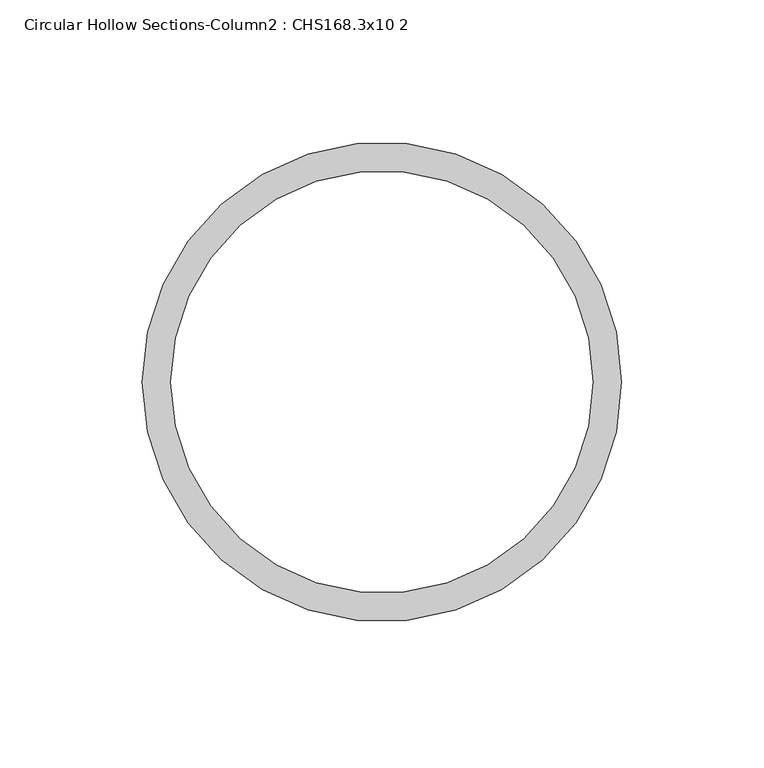
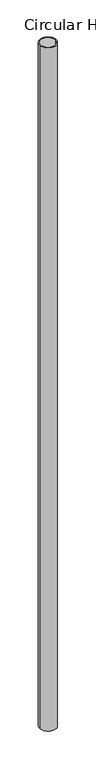
"""IFC4 building model written with IfcOpenShell, lengths in millimetres: column geometry, Circular Hollow Sections-Column2 : CHS168.3x10 2."""

from ifc_helpers import new_model, si_unit, point, origin, origin_with_axes, origin_2d, place, context, project, spatial, circle_curve, trimmed, segment, composite_curve, outline, extrude, source, transform, mapped, element, save


def circular_hollow_sections_column2_chs168_3x10_2_d5f3cf2d(model_context):
    return source(origin(), model_context, "Body", "SweptSolid", [
        extrude(outline(composite_curve([segment(trimmed(circle_curve(origin_2d(), 84.15), [point((-84.15, 0.0))], [point((84.15, 0.0))], False, "CARTESIAN"), True, "CONTINUOUS"), segment(trimmed(circle_curve(origin_2d(), 84.15), [point((84.15, 0.0))], [point((-84.15, 0.0))], False, "CARTESIAN"), True, "CONTINUOUS")], self_intersect=False), holes=[composite_curve([segment(trimmed(circle_curve(origin_2d(), 74.15), [point((-74.15, 0.0))], [point((74.15, 0.0))], True, "CARTESIAN"), True, "CONTINUOUS"), segment(trimmed(circle_curve(origin_2d(), 74.15), [point((74.15, 0.0))], [point((-74.15, 0.0))], True, "CARTESIAN"), True, "CONTINUOUS")], self_intersect=False)]), origin_with_axes(), (0.0, 0.0, 1.0), 7350.0),
    ])


if __name__ == "__main__":
    model = new_model("IFC4")
    model_context = context("Model", 3, world=origin())
    ifc_project = project(units=[si_unit("LENGTHUNIT", "METRE", prefix="MILLI")], contexts=[model_context])
    site = spatial("IfcSite", under=ifc_project)
    building = spatial("IfcBuilding", under=site)
    placement = place(None, origin())
    circular_hollow_sections_column2_chs168_3x10_2_shape = circular_hollow_sections_column2_chs168_3x10_2_d5f3cf2d(model_context)
    element("IfcColumn", 1, ObjectType="Circular Hollow Sections-Column2 : CHS168.3x10 2", at=placement, inside=building, context=model_context, shape_type="MappedRepresentation", body=[
        mapped(circular_hollow_sections_column2_chs168_3x10_2_shape, transform((0.0, 0.0, 0.0), x_axis=(1.0, 0.0, 0.0), y_axis=(0.0, 1.0, 0.0), z_axis=(0.0, 0.0, 1.0))),
    ])
    save(model, "model.ifc")
